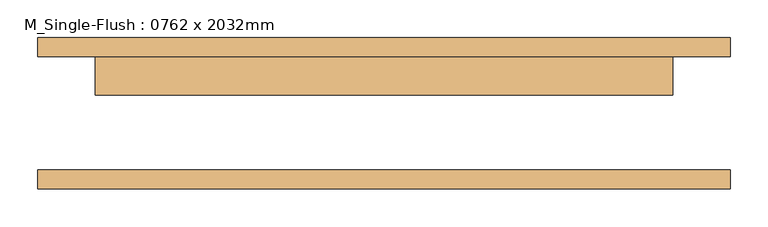
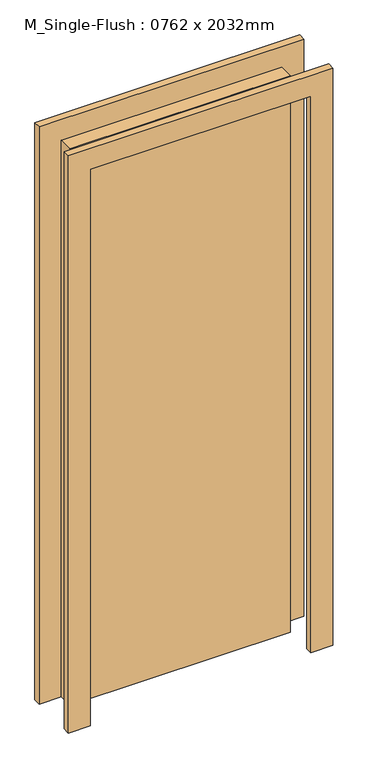
"""IFC4 building model written with IfcOpenShell, lengths in millimetres: door geometry, M_Single-Flush : 0762 x 2032mm."""

from ifc_helpers import new_model, si_unit, frame, origin, origin_with_axes, place, context, project, spatial, polyline, outline, extrude, source, transform, mapped, element, save


def m_single_flush_0762_x_2032mm_3f592dcc(model_context):
    return source(origin(), model_context, "Body", "SweptSolid", [
        extrude(outline(polyline([(2108.0, -457.0), (0.0, -457.0), (0.0, -381.0), (2032.0, -381.0), (2032.0, 381.0), (0.0, 381.0), (0.0, 457.0), (2108.0, 457.0), (2108.0, -457.0)])), frame((0.0, 75.0, 0.0), z_axis=(0.0, 1.0, 0.0), x_axis=(0.0, 0.0, 1.0)), (0.0, 0.0, 1.0), 25.0),
        extrude(outline(polyline([(2108.0, 457.0), (2108.0, -457.0), (0.0, -457.0), (0.0, -381.0), (2032.0, -381.0), (2032.0, 381.0), (0.0, 381.0), (0.0, 457.0), (2108.0, 457.0)])), frame((0.0, -100.0, 0.0), z_axis=(0.0, 1.0, 0.0), x_axis=(0.0, 0.0, 1.0)), (0.0, 0.0, 1.0), 25.0),
        extrude(outline(polyline([(381.0, 24.0), (-381.0, 24.0), (-381.0, 75.0), (381.0, 75.0), (381.0, 24.0)])), origin_with_axes(), (0.0, 0.0, 1.0), 2032.0),
    ])


if __name__ == "__main__":
    model = new_model("IFC4")
    model_context = context("Model", 3, world=origin())
    ifc_project = project(units=[si_unit("LENGTHUNIT", "METRE", prefix="MILLI")], contexts=[model_context])
    site = spatial("IfcSite", under=ifc_project)
    building = spatial("IfcBuilding", under=site)
    placement = place(None, origin())
    m_single_flush_0762_x_2032mm_shape = m_single_flush_0762_x_2032mm_3f592dcc(model_context)
    element("IfcDoor", 1, ObjectType="M_Single-Flush : 0762 x 2032mm", at=placement, inside=building, context=model_context, shape_type="MappedRepresentation", body=[
        mapped(m_single_flush_0762_x_2032mm_shape, transform((0.0, 0.0, 0.0), x_axis=(1.0, 0.0, 0.0), y_axis=(0.0, 1.0, 0.0), z_axis=(0.0, 0.0, 1.0))),
    ])
    save(model, "model.ifc")
